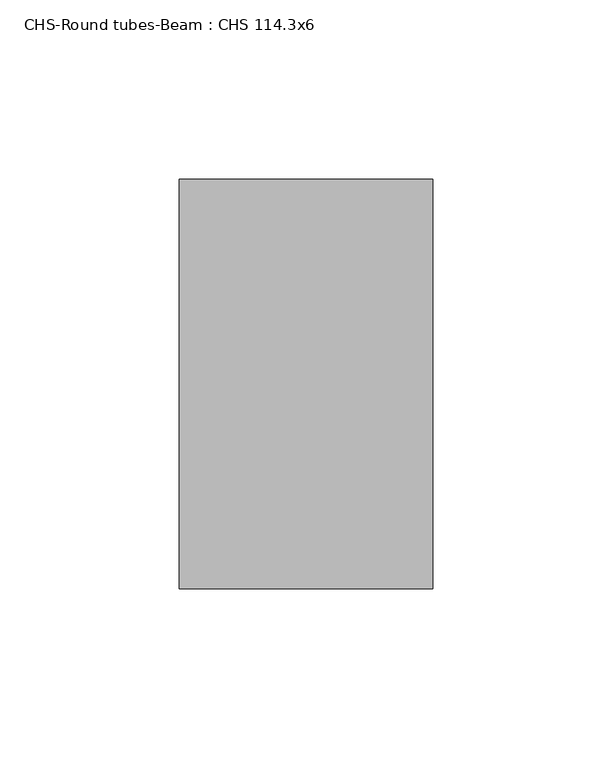
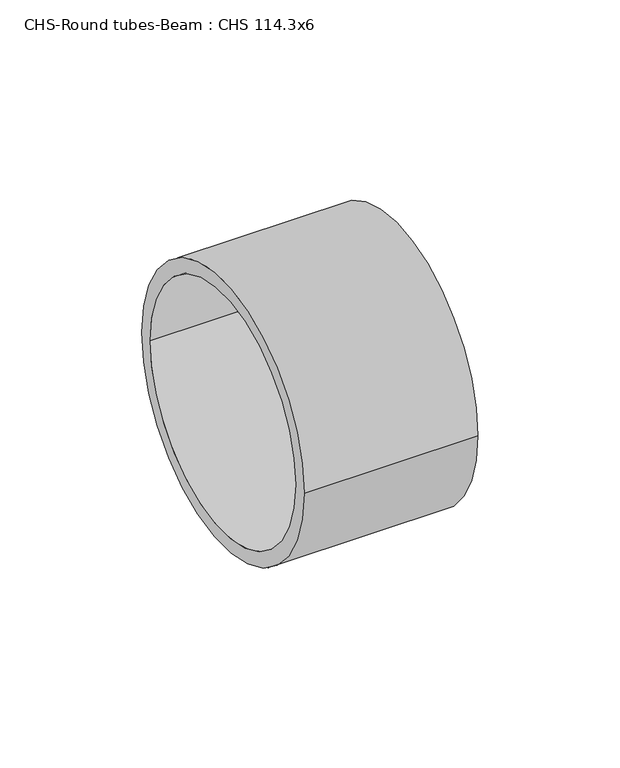
"""IFC4 building model written with IfcOpenShell, lengths in millimetres: beam geometry, CHS-Round tubes-Beam : CHS 114.3x6."""

from ifc_helpers import new_model, si_unit, point, frame, origin, origin_2d, place, context, project, spatial, circle_curve, trimmed, segment, composite_curve, outline, extrude, source, transform, mapped, element, save


def chs_round_tubes_beam_chs_114_3x6_3c153988(model_context):
    return source(origin(), model_context, "Body", "SweptSolid", [
        extrude(outline(composite_curve([segment(trimmed(circle_curve(origin_2d(), 57.15), [point((-57.15, 0.0))], [point((57.15, 0.0))], False, "CARTESIAN"), True, "CONTINUOUS"), segment(trimmed(circle_curve(origin_2d(), 57.15), [point((57.15, 0.0))], [point((-57.15, 0.0))], False, "CARTESIAN"), True, "CONTINUOUS")], self_intersect=False), holes=[composite_curve([segment(trimmed(circle_curve(origin_2d(), 51.15), [point((-51.15, 0.0))], [point((51.15, 0.0))], True, "CARTESIAN"), True, "CONTINUOUS"), segment(trimmed(circle_curve(origin_2d(), 51.15), [point((51.15, 0.0))], [point((-51.15, 0.0))], True, "CARTESIAN"), True, "CONTINUOUS")], self_intersect=False)]), frame((114.8202489, 0.0, 0.0), z_axis=(1.0, 0.0, 0.0), x_axis=(0.0, 1.0, 0.0)), (0.0, 0.0, 1.0), 70.7042265),
    ])


if __name__ == "__main__":
    model = new_model("IFC4")
    model_context = context("Model", 3, world=origin())
    ifc_project = project(units=[si_unit("LENGTHUNIT", "METRE", prefix="MILLI")], contexts=[model_context])
    site = spatial("IfcSite", under=ifc_project)
    building = spatial("IfcBuilding", under=site)
    placement = place(None, origin())
    chs_round_tubes_beam_chs_114_3x6_shape = chs_round_tubes_beam_chs_114_3x6_3c153988(model_context)
    element("IfcBeam", 1, ObjectType="CHS-Round tubes-Beam : CHS 114.3x6", at=placement, inside=building, context=model_context, shape_type="MappedRepresentation", body=[
        mapped(chs_round_tubes_beam_chs_114_3x6_shape, transform((0.0, 0.0, 0.0), x_axis=(1.0, 0.0, 0.0), y_axis=(0.0, 1.0, 0.0), z_axis=(0.0, 0.0, 1.0))),
    ])
    save(model, "model.ifc")
